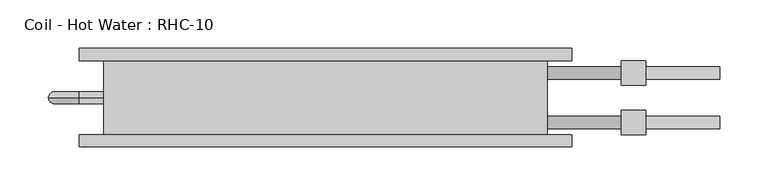
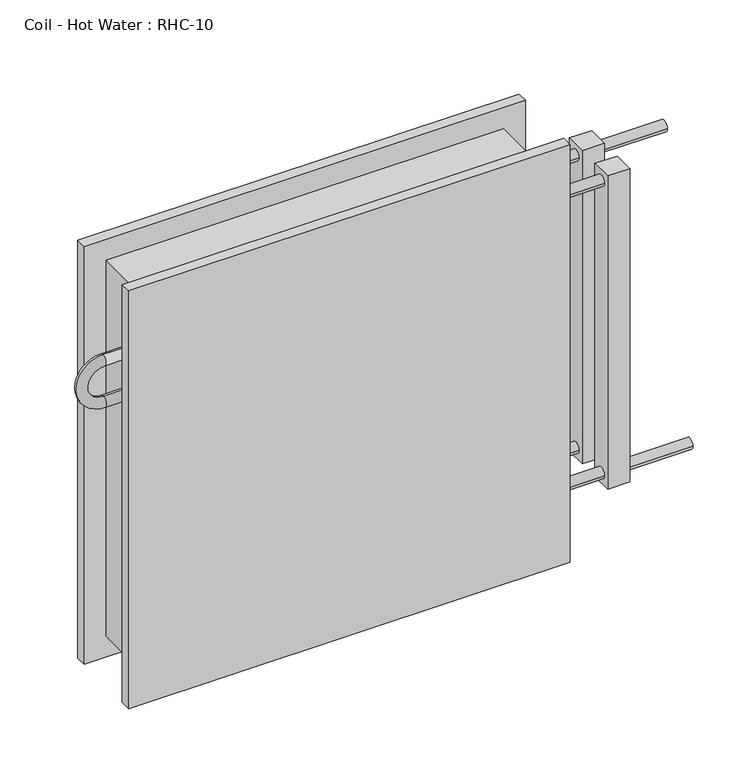
"""IFC4 building model written with IfcOpenShell, lengths in millimetres: proxy geometry, Coil - Hot Water : RHC-10."""

import ifcopenshell
import ifcopenshell.guid

model = None  # the IFC model being written
_history = None  # IfcOwnerHistory: only IFC2X3 demands one
_inside = {}  # id of a spatial element -> (the spatial element, [elements in it])
_under = {}  # id of a project, library or spatial element -> (it, [spatial elements below it])
_declared = {}  # id of a project -> (the project, [libraries it declares])
_typed = {}  # id of a type object -> (the type object, [elements of that type])
_made_of = {}  # id of a material, layer set ... -> (it, [elements and type objects made of it])


def new_model(schema):
    """Start an empty IFC model of exactly this schema.

    Asked for "IFC4X3", IfcOpenShell would pick the latest addendum, in which some entities
    have other attributes; the version numbers below select the first issue.
    IFC2X3 requires an IfcOwnerHistory on every rooted entity: one is made here for all.
    """
    global model, _history
    if schema == "IFC4X3":
        model = ifcopenshell.file(schema_version=(4, 3, 0, 0))
    else:
        model = ifcopenshell.file(schema=schema)
    _inside.clear()
    _under.clear()
    _declared.clear()
    _typed.clear()
    _made_of.clear()
    _history = None
    if model.schema == "IFC2X3":
        org = make("IfcOrganization", Name="unknown")
        user = make(
            "IfcPersonAndOrganization",
            ThePerson=make("IfcPerson", FamilyName="unknown"),
            TheOrganization=org,
        )
        app = make(
            "IfcApplication",
            ApplicationDeveloper=org,
            Version="unknown",
            ApplicationFullName="unknown",
            ApplicationIdentifier="unknown",
        )
        _history = make(
            "IfcOwnerHistory",
            OwningUser=user,
            OwningApplication=app,
            ChangeAction="ADDED",
            CreationDate=0,
        )
    return model


def make(cls, **values):
    """One entity of the class cls with the attributes given. An attribute that is None is left unset."""
    return model.create_entity(
        cls, **{name: value for name, value in values.items() if value is not None}
    )


def rooted(cls, **values):
    """An entity with a GlobalId (a new one), such as an element, a storey or a relation."""
    return make(cls, GlobalId=ifcopenshell.guid.new(), OwnerHistory=_history, **values)


def si_unit(unit_type, name, prefix=None):
    """IfcSIUnit, for example si_unit("LENGTHUNIT", "METRE", prefix="MILLI")."""
    return make("IfcSIUnit", UnitType=unit_type, Prefix=prefix, Name=name)


def assignment(units):
    """IfcUnitAssignment: the units of a project."""
    return None if units is None else make("IfcUnitAssignment", Units=units)


def point(xyz):
    """IfcCartesianPoint."""
    return None if xyz is None else make("IfcCartesianPoint", Coordinates=xyz)


def direction(xyz):
    """IfcDirection."""
    return None if xyz is None else make("IfcDirection", DirectionRatios=xyz)


def frame(location, z_axis=None, x_axis=None):
    """IfcAxis2Placement3D, a coordinate frame: its origin and axes. An axis left out is left unset."""
    return make(
        "IfcAxis2Placement3D",
        Location=point(location),
        Axis=direction(z_axis),
        RefDirection=direction(x_axis),
    )


def origin():
    """The frame at (0, 0, 0) with its axes left unset."""
    return frame((0.0, 0.0, 0.0))


def place(relative_to, where):
    """IfcLocalPlacement: puts the frame where relative to a parent placement (None: the world)."""
    return make(
        "IfcLocalPlacement", PlacementRelTo=relative_to, RelativePlacement=where
    )


def context(
    kind, dimensions, precision=None, world=None, true_north=None, identifier=None
):
    """IfcGeometricRepresentationContext, for example the 3D "Model" context."""
    return make(
        "IfcGeometricRepresentationContext",
        ContextIdentifier=identifier,
        ContextType=kind,
        CoordinateSpaceDimension=dimensions,
        Precision=precision,
        WorldCoordinateSystem=world,
        TrueNorth=true_north,
    )


def project(units=None, contexts=None):
    """IfcProject with its units and contexts."""
    return rooted(
        "IfcProject",
        Name="project",
        RepresentationContexts=contexts,
        UnitsInContext=assignment(units),
    )


def spatial(cls, under=None, at=None, **own):
    """A site, building, storey or space (cls), placed at a placement, below another one or the project."""
    s = rooted(cls, ObjectPlacement=at, **own)
    if under is not None:
        _under.setdefault(under.id(), (under, []))[1].append(s)
    return s


def circle_curve(where, radius):
    """IfcCircle in the frame where."""
    return make("IfcCircle", Position=where, Radius=radius)


def ellipse_curve(where, semi_axis1, semi_axis2):
    """IfcEllipse in the frame where."""
    return make(
        "IfcEllipse", Position=where, SemiAxis1=semi_axis1, SemiAxis2=semi_axis2
    )


def trimmed(basis, trim1, trim2, sense, master):
    """IfcTrimmedCurve: the piece of a basis curve between two trims."""
    return make(
        "IfcTrimmedCurve",
        BasisCurve=basis,
        Trim1=trim1,
        Trim2=trim2,
        SenseAgreement=sense,
        MasterRepresentation=master,
    )


def shape(context_of_items, identifier, shape_type, items):
    """IfcShapeRepresentation: the items that make up one representation, for example the "Body"."""
    return make(
        "IfcShapeRepresentation",
        ContextOfItems=context_of_items,
        RepresentationIdentifier=identifier,
        RepresentationType=shape_type,
        Items=items,
    )


def source(mapping_origin, context_of_items, identifier, shape_type, items):
    """IfcRepresentationMap: a shape defined once, which mapped items show again and again."""
    return make(
        "IfcRepresentationMap",
        MappingOrigin=mapping_origin,
        MappedRepresentation=shape(context_of_items, identifier, shape_type, items),
    )


def transform(
    local_origin,
    x_axis=None,
    y_axis=None,
    z_axis=None,
    scale=None,
    scale2=None,
    scale3=None,
    uniform=True,
):
    """IfcCartesianTransformationOperator3D, or its non-uniform kind. x_axis, y_axis, z_axis: its Axis1, 2, 3."""
    if uniform:
        return make(
            "IfcCartesianTransformationOperator3D",
            Axis1=direction(x_axis),
            Axis2=direction(y_axis),
            LocalOrigin=point(local_origin),
            Scale=scale,
            Axis3=direction(z_axis),
        )
    return make(
        "IfcCartesianTransformationOperator3DnonUniform",
        Axis1=direction(x_axis),
        Axis2=direction(y_axis),
        LocalOrigin=point(local_origin),
        Scale=scale,
        Axis3=direction(z_axis),
        Scale2=scale2,
        Scale3=scale3,
    )


def mapped(mapping_source, mapping_target):
    """IfcMappedItem: shows the shape of a source again, moved by a transform."""
    return make(
        "IfcMappedItem", MappingSource=mapping_source, MappingTarget=mapping_target
    )


def made_of(thing, what):
    """Note that an element or type object is made of a material, layer set ...; save() writes the relation."""
    if what is not None:
        _made_of.setdefault(what.id(), (what, []))[1].append(thing)
    return thing


def element(
    cls,
    number,
    at=None,
    inside=None,
    cuts=None,
    type_object=None,
    material=None,
    context=None,
    identifier="Body",
    shape_type=None,
    held_by="IfcProductDefinitionShape",
    body=None,
    shapes=None,
    **own,
):
    """One element of the class cls, such as IfcWall. Its Tag is "e" and its number.

    at: its placement. inside: the storey or other place that contains it. cuts: it is an
    opening in that element (IfcRelVoidsElement). A single representation is given by context,
    identifier, shape_type and body (its items); several are given by shapes. held_by: the class
    of the entity that holds the representations. save() writes the other relations.
    """
    e = rooted(cls, Tag="e%d" % number, ObjectPlacement=at, **own)
    if body is not None:
        shapes = [shape(context, identifier, shape_type, body)]
    if shapes is not None:
        e.Representation = make(held_by, Representations=shapes)
    if inside is not None:
        _inside.setdefault(inside.id(), (inside, []))[1].append(e)
    if cuts is not None:
        rooted(
            "IfcRelVoidsElement", RelatingBuildingElement=cuts, RelatedOpeningElement=e
        )
    if type_object is not None:
        _typed.setdefault(type_object.id(), (type_object, []))[1].append(e)
    return made_of(e, material)


def aggregate(whole, parts):
    """IfcRelAggregates: a whole, such as a stair, and the parts it consists of."""
    return rooted("IfcRelAggregates", RelatingObject=whole, RelatedObjects=parts)


def save(model, path):
    """Write the relations noted so far, then the file.

    IfcRelAggregates (storeys below a building ...), IfcRelContainedInSpatialStructure (elements
    in a storey), IfcRelDefinesByType, IfcRelAssociatesMaterial and IfcRelDeclares: one each for
    every whole, place, type object, material and project.
    """
    for whole, parts in _under.values():
        aggregate(whole, parts)
    for where, things in _inside.values():
        rooted(
            "IfcRelContainedInSpatialStructure",
            RelatedElements=things,
            RelatingStructure=where,
        )
    for kind, things in _typed.values():
        rooted("IfcRelDefinesByType", RelatedObjects=things, RelatingType=kind)
    for what, things in _made_of.values():
        rooted("IfcRelAssociatesMaterial", RelatedObjects=things, RelatingMaterial=what)
    for by, libraries in _declared.values():
        rooted("IfcRelDeclares", RelatingContext=by, RelatedDefinitions=libraries)
    model.write(path)


def plane_surface(at):
    """IfcPlane: the flat surface through the origin of the frame at, square to its z axis."""
    return make("IfcPlane", Position=at)


def cylinder_surface(at, radius):
    """IfcCylindricalSurface: all points at the distance radius from the z axis of the frame at."""
    return make("IfcCylindricalSurface", Position=at, Radius=radius)


def revolved_surface(curve, axis_point, axis_direction):
    """IfcSurfaceOfRevolution: the curve turned about the line through axis_point along axis_direction."""
    return make(
        "IfcSurfaceOfRevolution",
        SweptCurve=make("IfcArbitraryOpenProfileDef", ProfileType="CURVE", Curve=curve),
        AxisPosition=make("IfcAxis1Placement", Location=point(axis_point), Axis=direction(axis_direction)),
    )


def advanced_brep(points, edges, surfaces, faces):
    """IfcAdvancedBrep: a solid bounded by faces that lie on surfaces and meet in shared edges.

    An edge is (start, end): straight between two places in points (the first is 0);
    or (start, end, curve); or (start, end, curve, False) where it runs against its curve.
    A face is (place in surfaces, loops), or (place, loops, False) where it looks against
    its surface's normal. A loop lists edges by number (the first is 1), with a minus sign
    where the edge is run from its end to its start. The first loop is the outer one.
    """
    corners = [point(p) for p in points]
    vertices = [make("IfcVertexPoint", VertexGeometry=c) for c in corners]
    made = []
    for start, end, *more in edges:
        made.append(
            make(
                "IfcEdgeCurve",
                EdgeStart=vertices[start],
                EdgeEnd=vertices[end],
                EdgeGeometry=more[0] if more else make("IfcPolyline", Points=[corners[start], corners[end]]),
                SameSense=more[1] if len(more) > 1 else True,
            )
        )
    hull = []
    for where, loops, *sense in faces:
        bounds = []
        for j, loop in enumerate(loops):
            ring = [make("IfcOrientedEdge", EdgeElement=made[abs(k) - 1], Orientation=k > 0) for k in loop]
            bounds.append(
                make(
                    "IfcFaceOuterBound" if j == 0 else "IfcFaceBound",
                    Bound=make("IfcEdgeLoop", EdgeList=ring),
                    Orientation=True,
                )
            )
        hull.append(make("IfcAdvancedFace", Bounds=bounds, FaceSurface=surfaces[where], SameSense=sense[0] if sense else True))
    return make("IfcAdvancedBrep", Outer=make("IfcClosedShell", CfsFaces=hull))


def coil_hot_water_rhc_10_b64c64f0(model_context):
    return source(origin(), model_context, "Body", "AdvancedBrep", [
        advanced_brep(
        [(-228.6, -76.2, 457.2), (228.6, -76.2, 457.2), (228.6, 0.0, 457.2), (-228.6, 0.0, 457.2), (228.6, -76.2, 0.0), (-228.6, -76.2, 0.0), (-228.6, 0.0, 0.0), (228.6, 0.0, 0.0), (-228.6, -38.1, 374.65), (-228.6, -38.1, 361.95), (-228.6, -38.1, 323.85), (-228.6, -38.1, 311.15), (228.6, -57.15, 406.4), (228.6, -69.85, 406.4), (228.6, -6.35, 50.8), (228.6, -19.05, 50.8), (228.6, -6.35, 406.4), (228.6, -19.05, 406.4), (228.6, -57.15, 50.8), (228.6, -69.85, 50.8), (254.0, -76.2, 482.6), (254.0, -76.2, -25.4), (-254.0, -76.2, -25.4), (-254.0, -76.2, 482.6), (254.0, -88.9, 482.6), (-254.0, -88.9, 482.6), (-254.0, -88.9, -25.4), (254.0, -88.9, -25.4), (406.4, -57.15, 50.8), (406.4, -69.85, 50.8), (406.4, -6.35, 406.4), (406.4, -19.05, 406.4), (330.2, -69.85, 50.8), (330.2, -57.15, 50.8), (330.2, -19.05, 406.4), (330.2, -6.35, 406.4), (254.0, 12.7, 482.6), (254.0, 12.7, -25.4), (-254.0, 12.7, -25.4), (-254.0, 12.7, 482.6), (254.0, 0.0, 482.6), (-254.0, 0.0, 482.6), (-254.0, 0.0, -25.4), (254.0, 0.0, -25.4), (-254.0, -38.1, 361.95), (-254.0, -38.1, 374.65), (-254.0, -38.1, 323.85), (-254.0, -38.1, 311.15), (304.8, -69.85, 406.4), (304.8, -57.15, 406.4), (304.8, -19.05, 50.8), (304.8, -6.35, 50.8), (304.8, -19.05, 406.4), (304.8, -6.35, 406.4), (304.8, -69.85, 50.8), (304.8, -57.15, 50.8), (330.2, -50.8, 419.1), (330.2, -76.2, 419.1), (330.2, -76.2, 38.1), (330.2, -50.8, 38.1), (330.2, 0.0, 419.1), (330.2, -25.4, 419.1), (330.2, -25.4, 38.1), (330.2, 0.0, 38.1), (304.8, -50.8, 419.1), (304.8, -50.8, 38.1), (304.8, -76.2, 38.1), (304.8, -76.2, 419.1), (304.8, 0.0, 419.1), (304.8, 0.0, 38.1), (304.8, -25.4, 38.1), (304.8, -25.4, 419.1)],
        [
            (0, 1),
            (1, 2),
            (2, 3),
            (3, 0),
            (4, 5),
            (5, 6),
            (6, 7),
            (7, 4),
            (3, 6),
            (5, 0),
            (8, 9, circle_curve(frame((-228.6, -38.1, 368.3), z_axis=(1.0, 0.0, 0.0), x_axis=(0.0, 0.0, -1.0)), 6.35)),
            (9, 8, circle_curve(frame((-228.6, -38.1, 368.3), z_axis=(1.0, 0.0, 0.0), x_axis=(0.0, 0.0, -1.0)), 6.35)),
            (10, 11, circle_curve(frame((-228.6, -38.1, 317.5), z_axis=(1.0, 0.0, 0.0), x_axis=(0.0, 0.0, 1.0)), 6.35)),
            (11, 10, circle_curve(frame((-228.6, -38.1, 317.5), z_axis=(1.0, 0.0, 0.0), x_axis=(0.0, 0.0, 1.0)), 6.35)),
            (1, 4),
            (7, 2),
            (12, 13, circle_curve(frame((228.6, -63.5, 406.4), z_axis=(-1.0, 0.0, 0.0), x_axis=(0.0, -1.0, 0.0)), 6.35)),
            (13, 12, circle_curve(frame((228.6, -63.5, 406.4), z_axis=(-1.0, 0.0, 0.0), x_axis=(0.0, -1.0, 0.0)), 6.35)),
            (14, 15, circle_curve(frame((228.6, -12.7, 50.8), z_axis=(-1.0, 0.0, 0.0), x_axis=(0.0, -1.0, 0.0)), 6.35)),
            (15, 14, circle_curve(frame((228.6, -12.7, 50.8), z_axis=(-1.0, 0.0, 0.0), x_axis=(0.0, -1.0, 0.0)), 6.35)),
            (16, 17, circle_curve(frame((228.6, -12.7, 406.4), z_axis=(-1.0, 0.0, 0.0), x_axis=(0.0, -1.0, 0.0)), 6.35)),
            (17, 16, circle_curve(frame((228.6, -12.7, 406.4), z_axis=(-1.0, 0.0, 0.0), x_axis=(0.0, -1.0, 0.0)), 6.35)),
            (18, 19, circle_curve(frame((228.6, -63.5, 50.8), z_axis=(-1.0, 0.0, 0.0), x_axis=(0.0, -1.0, 0.0)), 6.35)),
            (19, 18, circle_curve(frame((228.6, -63.5, 50.8), z_axis=(-1.0, 0.0, 0.0), x_axis=(0.0, -1.0, 0.0)), 6.35)),
            (20, 21),
            (21, 22),
            (22, 23),
            (23, 20),
            (24, 25),
            (25, 26),
            (26, 27),
            (27, 24),
            (23, 25),
            (24, 20),
            (22, 26),
            (21, 27),
            (28, 29, circle_curve(frame((406.4, -63.5, 50.8), z_axis=(1.0, 0.0, 0.0), x_axis=(0.0, -1.0, 0.0)), 6.35)),
            (29, 28, circle_curve(frame((406.4, -63.5, 50.8), z_axis=(1.0, 0.0, 0.0), x_axis=(0.0, -1.0, 0.0)), 6.35)),
            (30, 31, circle_curve(frame((406.4, -12.7, 406.4), z_axis=(1.0, 0.0, 0.0), x_axis=(0.0, -1.0, 0.0)), 6.35)),
            (31, 30, circle_curve(frame((406.4, -12.7, 406.4), z_axis=(1.0, 0.0, 0.0), x_axis=(0.0, -1.0, 0.0)), 6.35)),
            (29, 32),
            (32, 33, circle_curve(frame((330.2, -63.5, 50.8), z_axis=(1.0, 0.0, 0.0), x_axis=(0.0, -1.0, 0.0)), 6.35)),
            (33, 28),
            (33, 32, circle_curve(frame((330.2, -63.5, 50.8), z_axis=(1.0, 0.0, 0.0), x_axis=(0.0, -1.0, 0.0)), 6.35)),
            (31, 34),
            (34, 35, circle_curve(frame((330.2, -12.7, 406.4), z_axis=(1.0, 0.0, 0.0), x_axis=(0.0, -1.0, 0.0)), 6.35)),
            (35, 30),
            (35, 34, circle_curve(frame((330.2, -12.7, 406.4), z_axis=(1.0, 0.0, 0.0), x_axis=(0.0, -1.0, 0.0)), 6.35)),
            (36, 37),
            (37, 38),
            (38, 39),
            (39, 36),
            (40, 41),
            (41, 42),
            (42, 43),
            (43, 40),
            (39, 41),
            (40, 36),
            (38, 42),
            (37, 43),
            (9, 44),
            (44, 45, circle_curve(frame((-254.0, -38.1, 368.3), z_axis=(1.0, 0.0, 0.0), x_axis=(0.0, 0.0, -1.0)), 6.35)),
            (45, 8),
            (45, 44, circle_curve(frame((-254.0, -38.1, 368.3), z_axis=(1.0, 0.0, 0.0), x_axis=(0.0, 0.0, -1.0)), 6.35)),
            (44, 46, circle_curve(frame((-254.0, -38.1, 342.9), z_axis=(0.0, -1.0, 0.0), x_axis=(0.0, 0.0, 1.0)), 19.05)),
            (46, 47, circle_curve(frame((-254.0, -38.1, 317.5), z_axis=(-1.0, 0.0, 0.0), x_axis=(0.0, 0.0, 1.0)), 6.35)),
            (47, 45, circle_curve(frame((-254.0, -38.1, 342.9), z_axis=(0.0, 1.0, 0.0), x_axis=(0.0, 0.0, 1.0)), 31.75)),
            (47, 46, circle_curve(frame((-254.0, -38.1, 317.5), z_axis=(-1.0, 0.0, 0.0), x_axis=(0.0, 0.0, 1.0)), 6.35)),
            (46, 10),
            (11, 47),
            (13, 48),
            (48, 49, circle_curve(frame((304.8, -63.5, 406.4), z_axis=(-1.0, 0.0, 0.0), x_axis=(0.0, -1.0, 0.0)), 6.35)),
            (49, 12),
            (49, 48, circle_curve(frame((304.8, -63.5, 406.4), z_axis=(-1.0, 0.0, 0.0), x_axis=(0.0, -1.0, 0.0)), 6.35)),
            (15, 50),
            (50, 51, circle_curve(frame((304.8, -12.7, 50.8), z_axis=(-1.0, 0.0, 0.0), x_axis=(0.0, -1.0, 0.0)), 6.35)),
            (51, 14),
            (51, 50, circle_curve(frame((304.8, -12.7, 50.8), z_axis=(-1.0, 0.0, 0.0), x_axis=(0.0, -1.0, 0.0)), 6.35)),
            (17, 52),
            (52, 53, circle_curve(frame((304.8, -12.7, 406.4), z_axis=(-1.0, 0.0, 0.0), x_axis=(0.0, -1.0, 0.0)), 6.35)),
            (53, 16),
            (53, 52, circle_curve(frame((304.8, -12.7, 406.4), z_axis=(-1.0, 0.0, 0.0), x_axis=(0.0, -1.0, 0.0)), 6.35)),
            (19, 54),
            (54, 55, circle_curve(frame((304.8, -63.5, 50.8), z_axis=(-1.0, 0.0, 0.0), x_axis=(0.0, -1.0, 0.0)), 6.35)),
            (55, 18),
            (55, 54, circle_curve(frame((304.8, -63.5, 50.8), z_axis=(-1.0, 0.0, 0.0), x_axis=(0.0, -1.0, 0.0)), 6.35)),
            (56, 57),
            (57, 58),
            (58, 59),
            (59, 56),
            (60, 61),
            (61, 62),
            (62, 63),
            (63, 60),
            (64, 65),
            (65, 66),
            (66, 67),
            (67, 64),
            (68, 69),
            (69, 70),
            (70, 71),
            (71, 68),
            (59, 65),
            (64, 56),
            (58, 66),
            (57, 67),
            (63, 69),
            (68, 60),
            (62, 70),
            (61, 71),
        ],
        [
            plane_surface(frame((-228.6, -76.2, 457.2), z_axis=(0.0, 0.0, 1.0), x_axis=(-1.0, 0.0, 0.0))),
            plane_surface(frame((-228.6, -76.2, 0.0), z_axis=(0.0, 0.0, -1.0), x_axis=(1.0, 0.0, 0.0))),
            plane_surface(frame((-228.6, -76.2, 457.2), z_axis=(-1.0, 0.0, 0.0), x_axis=(0.0, 0.0, -1.0))),
            plane_surface(frame((228.6, 0.0, 457.2), z_axis=(1.0, 0.0, 0.0), x_axis=(0.0, 0.0, -1.0))),
            plane_surface(frame((-254.0, -76.2, 482.6), z_axis=(0.0, 1.0, 0.0), x_axis=(-1.0, 0.0, 0.0))),
            plane_surface(frame((-254.0, -88.9, 482.6), z_axis=(0.0, -1.0, 0.0), x_axis=(1.0, 0.0, 0.0))),
            plane_surface(frame((254.0, -76.2, 482.6), z_axis=(0.0, 0.0, 1.0), x_axis=(0.0, -1.0, 0.0))),
            plane_surface(frame((-254.0, -76.2, 482.6), z_axis=(-1.0, 0.0, 0.0), x_axis=(0.0, -1.0, 0.0))),
            plane_surface(frame((-254.0, -76.2, -25.4), z_axis=(0.0, 0.0, -1.0), x_axis=(0.0, -1.0, 0.0))),
            plane_surface(frame((254.0, -76.2, -25.4), z_axis=(1.0, 0.0, 0.0), x_axis=(0.0, -1.0, 0.0))),
            plane_surface(frame((406.4, -69.85, 50.8), z_axis=(1.0, 0.0, 0.0), x_axis=(0.0, 0.0, 1.0))),
            cylinder_surface(frame((330.2, -63.5, 50.8), z_axis=(1.0, 0.0, 0.0), x_axis=(0.0, -1.0, 0.0)), 6.35),
            cylinder_surface(frame((0.0, -12.7, 406.4), z_axis=(1.0, 0.0, 0.0), x_axis=(0.0, -1.0, 0.0)), 6.35),
            plane_surface(frame((-254.0, 12.7, 482.6), z_axis=(0.0, 1.0, 0.0), x_axis=(-1.0, 0.0, 0.0))),
            plane_surface(frame((-254.0, 0.0, 482.6), z_axis=(0.0, -1.0, 0.0), x_axis=(1.0, 0.0, 0.0))),
            plane_surface(frame((254.0, 12.7, 482.6), z_axis=(0.0, 0.0, 1.0), x_axis=(0.0, -1.0, 0.0))),
            plane_surface(frame((-254.0, 12.7, 482.6), z_axis=(-1.0, 0.0, 0.0), x_axis=(0.0, -1.0, 0.0))),
            plane_surface(frame((-254.0, 12.7, -25.4), z_axis=(0.0, 0.0, -1.0), x_axis=(0.0, -1.0, 0.0))),
            plane_surface(frame((254.0, 12.7, -25.4), z_axis=(1.0, 0.0, 0.0), x_axis=(0.0, -1.0, 0.0))),
            cylinder_surface(frame((-228.6, -38.1, 368.3), z_axis=(1.0, 0.0, 0.0), x_axis=(0.0, 0.0, -1.0)), 6.35),
            revolved_surface(trimmed(ellipse_curve(frame((-254.0, -38.1, 368.3), z_axis=(-1.0, 0.0, 0.0), x_axis=(0.0, 0.0, -1.0)), 6.35, 6.35), [point((-254.0, -38.1, 374.65))], [point((-254.0, -38.1, 361.95))], True, "CARTESIAN"), (-254.0, 0.0, 342.9), (0.0, 1.0, 0.0)),
            revolved_surface(trimmed(ellipse_curve(frame((-254.0, -38.1, 368.3), z_axis=(-1.0, 0.0, 0.0), x_axis=(0.0, 0.0, -1.0)), 6.35, 6.35), [point((-254.0, -38.1, 361.95))], [point((-254.0, -38.1, 374.65))], True, "CARTESIAN"), (-254.0, 0.0, 342.9), (0.0, 1.0, 0.0)),
            cylinder_surface(frame((-254.0, -38.1, 317.5), z_axis=(-1.0, 0.0, 0.0), x_axis=(0.0, 0.0, 1.0)), 6.35),
            cylinder_surface(frame((228.6, -63.5, 406.4), z_axis=(-1.0, 0.0, 0.0), x_axis=(0.0, -1.0, 0.0)), 6.35),
            cylinder_surface(frame((228.6, -12.7, 50.8), z_axis=(-1.0, 0.0, 0.0), x_axis=(0.0, -1.0, 0.0)), 6.35),
            cylinder_surface(frame((228.6, -12.7, 406.4), z_axis=(-1.0, 0.0, 0.0), x_axis=(0.0, -1.0, 0.0)), 6.35),
            cylinder_surface(frame((228.6, -63.5, 50.8), z_axis=(-1.0, 0.0, 0.0), x_axis=(0.0, -1.0, 0.0)), 6.35),
            plane_surface(frame((330.2, -50.8, 419.1), z_axis=(1.0, 0.0, 0.0), x_axis=(0.0, 0.0, -1.0))),
            plane_surface(frame((304.8, -50.8, 419.1), z_axis=(-1.0, 0.0, 0.0), x_axis=(0.0, 0.0, 1.0))),
            plane_surface(frame((330.2, -50.8, 419.1), z_axis=(0.0, 1.0, 0.0), x_axis=(-1.0, 0.0, 0.0))),
            plane_surface(frame((330.2, -50.8, 38.1), z_axis=(0.0, 0.0, -1.0), x_axis=(-1.0, 0.0, 0.0))),
            plane_surface(frame((330.2, -76.2, 38.1), z_axis=(0.0, -1.0, 0.0), x_axis=(-1.0, 0.0, 0.0))),
            plane_surface(frame((330.2, -76.2, 419.1), z_axis=(0.0, 0.0, 1.0), x_axis=(-1.0, 0.0, 0.0))),
            plane_surface(frame((330.2, 0.0, 419.1), z_axis=(0.0, 1.0, 0.0), x_axis=(-1.0, 0.0, 0.0))),
            plane_surface(frame((330.2, 0.0, 38.1), z_axis=(0.0, 0.0, -1.0), x_axis=(-1.0, 0.0, 0.0))),
            plane_surface(frame((330.2, -25.4, 38.1), z_axis=(0.0, -1.0, 0.0), x_axis=(-1.0, 0.0, 0.0))),
            plane_surface(frame((330.2, -25.4, 419.1), z_axis=(0.0, 0.0, 1.0), x_axis=(-1.0, 0.0, 0.0))),
        ],
        [
            (0, [[1, 2, 3, 4]]),
            (1, [[5, 6, 7, 8]]),
            (2, [[9, -6, 10, -4], [11, 12], [13, 14]]),
            (3, [[15, -8, 16, -2], [17, 18], [19, 20], [21, 22], [23, 24]]),
            (4, [[25, 26, 27, 28], [-10, -5, -15, -1]]),
            (5, [[29, 30, 31, 32]]),
            (6, [[33, -29, 34, -28]]),
            (7, [[35, -30, -33, -27]]),
            (8, [[36, -31, -35, -26]]),
            (9, [[-34, -32, -36, -25]]),
            (10, [[37, 38]]),
            (10, [[39, 40]]),
            (11, [[41, 42, 43, -38]]),
            (11, [[-43, 44, -41, -37]]),
            (12, [[45, 46, 47, -40]]),
            (12, [[-47, 48, -45, -39]]),
            (13, [[49, 50, 51, 52]]),
            (14, [[53, 54, 55, 56], [-16, -7, -9, -3]]),
            (15, [[57, -53, 58, -52]]),
            (16, [[59, -54, -57, -51]]),
            (17, [[60, -55, -59, -50]]),
            (18, [[-58, -56, -60, -49]]),
            (19, [[-12, 61, 62, 63]]),
            (19, [[64, -61, -11, -63]]),
            (20, [[65, 66, 67, -62]]),
            (21, [[-67, 68, -65, -64]]),
            (22, [[69, -14, 70, -66]]),
            (22, [[-70, -13, -69, -68]]),
            (23, [[-18, 71, 72, 73]]),
            (23, [[74, -71, -17, -73]]),
            (24, [[-20, 75, 76, 77]]),
            (24, [[78, -75, -19, -77]]),
            (25, [[-22, 79, 80, 81]]),
            (25, [[82, -79, -21, -81]]),
            (26, [[-24, 83, 84, 85]]),
            (26, [[86, -83, -23, -85]]),
            (27, [[87, 88, 89, 90], [-44, -42]]),
            (27, [[91, 92, 93, 94], [-48, -46]]),
            (28, [[95, 96, 97, 98], [-74, -72], [-86, -84]]),
            (28, [[99, 100, 101, 102], [-78, -76], [-82, -80]]),
            (29, [[103, -95, 104, -90]]),
            (30, [[105, -96, -103, -89]]),
            (31, [[106, -97, -105, -88]]),
            (32, [[-104, -98, -106, -87]]),
            (33, [[107, -99, 108, -94]]),
            (34, [[109, -100, -107, -93]]),
            (35, [[110, -101, -109, -92]]),
            (36, [[-108, -102, -110, -91]]),
        ],
    ),
    ])


if __name__ == "__main__":
    model = new_model("IFC4")
    model_context = context("Model", 3, world=origin())
    ifc_project = project(units=[si_unit("LENGTHUNIT", "METRE", prefix="MILLI")], contexts=[model_context])
    site = spatial("IfcSite", under=ifc_project)
    building = spatial("IfcBuilding", under=site)
    placement = place(None, origin())
    coil_hot_water_rhc_10_shape = coil_hot_water_rhc_10_b64c64f0(model_context)
    element("IfcBuildingElementProxy", 1, Name="Coil - Hot Water : RHC-10", ObjectType="Coil - Hot Water : RHC-10", at=placement, inside=building, context=model_context, shape_type="MappedRepresentation", body=[
        mapped(coil_hot_water_rhc_10_shape, transform((0.0, 0.0, 0.0), x_axis=(1.0, 0.0, 0.0), y_axis=(0.0, 1.0, 0.0), z_axis=(0.0, 0.0, 1.0))),
    ])
    save(model, "model.ifc")
